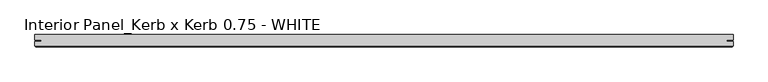
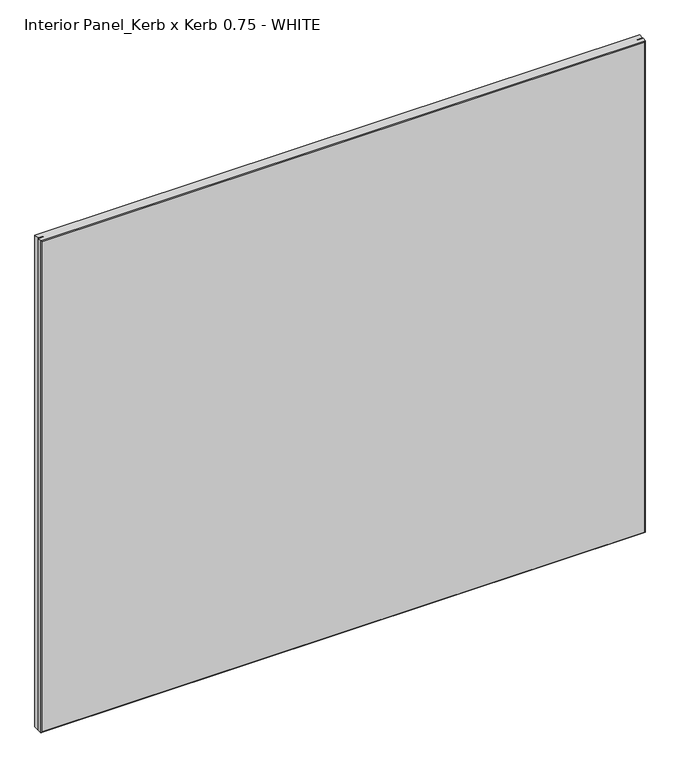
"""IFC4 building model written with IfcOpenShell, lengths in millimetres: proxy geometry, Interior Panel_Kerb x Kerb 0.75 - WHITE."""

from ifc_helpers import new_model, si_unit, origin, place, context, project, spatial, faceted_brep, source, transform, mapped, element, save


def interior_panel_kerb_x_kerb_0_75_white_d2f0d5aa(model_context):
    return source(origin(), model_context, "Body", "Brep", [
        faceted_brep([(990.6, 3.175, 914.4), (-73.025, 3.175, 914.4), (-73.025, -5.2832, 914.4), (-63.2023437, -5.2832, 914.4), (-63.2023437, -7.4168, 914.4), (-73.025, -7.4168, 914.4), (-73.025, -14.2875, 914.4), (990.6, -14.2875, 914.4), (990.6, -7.4168, 914.4), (980.7773437, -7.4168, 914.4), (980.7773437, -5.2832, 914.4), (990.6, -5.2832, 914.4), (990.6, 3.175, 0.0), (990.6, -5.2832, 0.0), (980.7773437, -5.2832, 0.0), (980.7773437, -7.4168, 0.0), (990.6, -7.4168, 0.0), (990.6, -14.2875, 0.0), (-73.025, -14.2875, 0.0), (-73.025, -7.4168, 0.0), (-63.2023437, -7.4168, 0.0), (-63.2023437, -5.2832, 0.0), (-73.025, -5.2832, 0.0), (-73.025, 3.175, 0.0), (-71.4375, -15.875, 912.8125), (-71.4375, -15.875, 1.5875), (989.0125, -15.875, 1.5875), (989.0125, -15.875, 912.8125)], [[[0, 1, 2, 3, 4, 5, 6, 7, 8, 9, 10, 11]], [[12, 13, 14, 15, 16, 17, 18, 19, 20, 21, 22, 23]], [[1, 0, 12, 23]], [[24, 25, 26, 27]], [[8, 7, 17, 16]], [[6, 18, 25, 24]], [[17, 7, 27, 26]], [[7, 6, 24, 27]], [[18, 17, 26, 25]], [[9, 8, 16, 15]], [[4, 3, 21, 20]], [[11, 10, 14, 13]], [[0, 11, 13, 12]], [[2, 1, 23, 22]], [[3, 2, 22, 21]], [[5, 4, 20, 19]], [[6, 5, 19, 18]], [[10, 9, 15, 14]]]),
    ])


if __name__ == "__main__":
    model = new_model("IFC4")
    model_context = context("Model", 3, world=origin())
    ifc_project = project(units=[si_unit("LENGTHUNIT", "METRE", prefix="MILLI")], contexts=[model_context])
    site = spatial("IfcSite", under=ifc_project)
    building = spatial("IfcBuilding", under=site)
    placement = place(None, origin())
    interior_panel_kerb_x_kerb_0_75_white_shape = interior_panel_kerb_x_kerb_0_75_white_d2f0d5aa(model_context)
    element("IfcBuildingElementProxy", 1, Name="Interior Panel_Kerb x Kerb 0.75 - WHITE", ObjectType="Interior Panel_Kerb x Kerb 0.75 - WHITE", at=placement, inside=building, context=model_context, shape_type="MappedRepresentation", body=[
        mapped(interior_panel_kerb_x_kerb_0_75_white_shape, transform((0.0, 0.0, 0.0), x_axis=(1.0, 0.0, 0.0), y_axis=(0.0, 1.0, 0.0), z_axis=(0.0, 0.0, 1.0))),
    ])
    save(model, "model.ifc")
